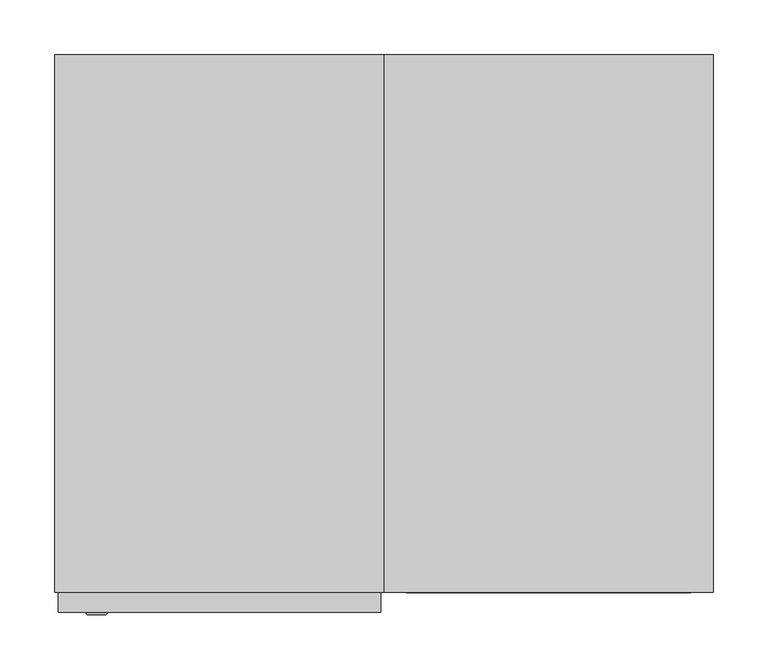
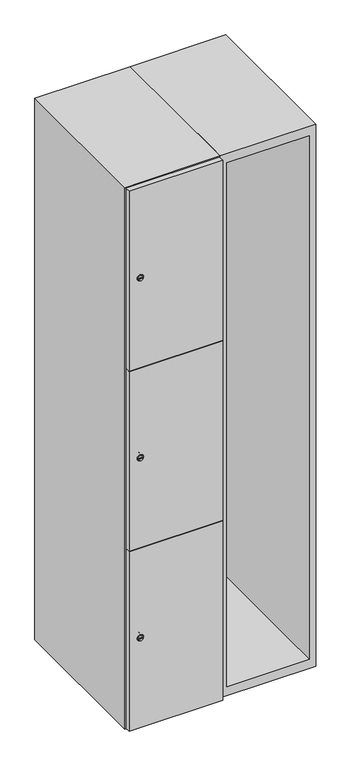
"""IFC4 building model written with IfcOpenShell, lengths in millimetres: furniture geometry."""

from ifc_helpers import new_model, si_unit, point, frame, frame_2d, origin, place, context, project, spatial, polyline, circle_curve, trimmed, segment, composite_curve, outline, extrude, faceted_brep, source, transform, mapped, element, save
from ifc_brep_helpers import plane_surface, revolved_surface, advanced_brep


def furniture_66384746(model_context):
    return source(origin(), model_context, "Body", "SolidModel", [
        faceted_brep([(400.0, -245.0, 35.0), (400.0, -245.0, 1835.0), (100.0, -245.0, 1835.0), (100.0, -245.0, 35.0), (379.6, -245.0, 1804.8), (379.6, -245.0, 65.2), (120.4, -245.0, 65.2), (120.4, -245.0, 1804.8), (400.0, 245.0, 35.0), (100.0, 245.0, 35.0), (400.0, 245.0, 1835.0), (100.0, 245.0, 1835.0), (379.6, 242.0, 1804.8), (379.6, 242.0, 65.2), (100.0, 245.0, 1804.8), (120.4, 242.0, 1804.8), (120.4, 242.0, 65.2)], [[[0, 1, 2, 3], [4, 5, 6, 7]], [[8, 0, 3, 9]], [[1, 0, 8, 10]], [[1, 10, 11, 2]], [[4, 12, 13, 5]], [[9, 3, 2, 11, 14]], [[10, 8, 9, 14, 11]], [[12, 15, 16, 13]], [[15, 7, 6, 16]], [[4, 7, 15, 12]], [[6, 5, 13, 16]]]),
        extrude(outline(composite_curve([segment(trimmed(circle_curve(frame_2d((337.0, -188.7989466)), 7.0), [point((344.0, -188.7989466))], [point((330.0, -188.7989466))], False, "CARTESIAN"), True, "CONTINUOUS"), segment(polyline([(330.0, -188.7989466), (330.0, -160.7989466)]), True, "CONTINUOUS"), segment(trimmed(circle_curve(frame_2d((337.0, -160.7989466)), 7.0), [point((330.0, -160.7989466))], [point((344.0, -160.7989466))], False, "CARTESIAN"), True, "CONTINUOUS"), segment(polyline([(344.0, -160.7989466), (344.0, -188.7989466)]), True, "CONTINUOUS")], self_intersect=False)), frame((0.0, -245.0, 0.0), z_axis=(0.0, 1.0, 0.0), x_axis=(0.0, 0.0, 1.0)), (0.0, 0.0, 1.0), 2.0),
        advanced_brep(
        [(-153.5, -265.2, 337.0), (-170.5, -265.2, 337.0), (-167.0, -265.2, 335.75), (-167.0, -265.2, 338.25), (-157.0, -265.2, 338.25), (-157.0, -265.2, 335.75), (-151.5, -263.0, 337.0), (-172.5, -263.0, 337.0), (-167.0, -263.0, 338.25), (-167.0, -263.0, 335.75), (-157.0, -263.0, 335.75), (-157.0, -263.0, 338.25)],
        [
            (0, 1, circle_curve(frame((-162.0, -265.2, 337.0), z_axis=(0.0, -1.0, 0.0), x_axis=(1.0, 0.0, 0.0)), 8.5)),
            (1, 0, circle_curve(frame((-162.0, -265.2, 337.0), z_axis=(0.0, -1.0, 0.0), x_axis=(-1.0, 0.0, 0.0)), 8.5)),
            (2, 3),
            (3, 4),
            (4, 5),
            (5, 2),
            (6, 7, circle_curve(frame((-162.0, -263.0, 337.0), z_axis=(0.0, 1.0, 0.0), x_axis=(-1.0, 0.0, 0.0)), 10.5)),
            (7, 6, circle_curve(frame((-162.0, -263.0, 337.0), z_axis=(0.0, 1.0, 0.0), x_axis=(1.0, 0.0, 0.0)), 10.5)),
            (8, 9),
            (9, 10),
            (10, 11),
            (11, 8),
            (0, 6),
            (7, 1),
            (8, 3),
            (2, 9),
            (11, 4),
            (10, 5),
        ],
        [
            plane_surface(frame((-162.0, -265.2, 337.0), z_axis=(0.0, -1.0, 0.0), x_axis=(0.0, 0.0, 1.0))),
            plane_surface(frame((-162.0, -263.0, 337.0), z_axis=(0.0, 1.0, 0.0), x_axis=(0.0, 0.0, 1.0))),
            revolved_surface(polyline([(-153.5, -265.2, 337.0), (-151.5, -263.0, 337.0)]), (-162.0, -274.55, 337.0), (0.0, 1.0, 0.0)),
            revolved_surface(polyline([(-170.5, -265.2, 337.0), (-172.5, -263.0, 337.0)]), (-162.0, -274.55, 337.0), (0.0, 1.0, 0.0)),
            plane_surface(frame((-167.0, -263.0, 335.75), z_axis=(1.0, 0.0, 0.0), x_axis=(0.0, -1.0, 0.0))),
            plane_surface(frame((-167.0, -263.0, 338.25), z_axis=(0.0, 0.0, -1.0), x_axis=(0.0, -1.0, 0.0))),
            plane_surface(frame((-157.0, -263.0, 338.25), z_axis=(-1.0, 0.0, 0.0), x_axis=(0.0, -1.0, 0.0))),
            plane_surface(frame((-157.0, -263.0, 335.75), z_axis=(0.0, 0.0, 1.0), x_axis=(0.0, -1.0, 0.0))),
        ],
        [
            (0, [[1, 2], [3, 4, 5, 6]]),
            (1, [[7, 8], [9, 10, 11, 12]]),
            (2, [[-1, 13, -8, 14]]),
            (3, [[-2, -14, -7, -13]]),
            (4, [[15, -3, 16, -9]]),
            (5, [[-15, -12, 17, -4]]),
            (6, [[-17, -11, 18, -5]]),
            (7, [[-16, -6, -18, -10]]),
        ],
    ),
        extrude(outline(composite_curve([segment(trimmed(circle_curve(frame_2d((935.0, -188.7989466)), 7.0), [point((942.0, -188.7989466))], [point((928.0, -188.7989466))], False, "CARTESIAN"), True, "CONTINUOUS"), segment(polyline([(928.0, -188.7989466), (928.0, -160.7989466)]), True, "CONTINUOUS"), segment(trimmed(circle_curve(frame_2d((935.0, -160.7989466)), 7.0), [point((928.0, -160.7989466))], [point((942.0, -160.7989466))], False, "CARTESIAN"), True, "CONTINUOUS"), segment(polyline([(942.0, -160.7989466), (942.0, -188.7989466)]), True, "CONTINUOUS")], self_intersect=False)), frame((0.0, -245.0, 0.0), z_axis=(0.0, 1.0, 0.0), x_axis=(0.0, 0.0, 1.0)), (0.0, 0.0, 1.0), 2.0),
        advanced_brep(
        [(-153.5, -265.2, 935.0), (-170.5, -265.2, 935.0), (-167.0, -265.2, 933.75), (-167.0, -265.2, 936.25), (-157.0, -265.2, 936.25), (-157.0, -265.2, 933.75), (-151.5, -263.0, 935.0), (-172.5, -263.0, 935.0), (-167.0, -263.0, 936.25), (-167.0, -263.0, 933.75), (-157.0, -263.0, 933.75), (-157.0, -263.0, 936.25)],
        [
            (0, 1, circle_curve(frame((-162.0, -265.2, 935.0), z_axis=(0.0, -1.0, 0.0), x_axis=(1.0, 0.0, 0.0)), 8.5)),
            (1, 0, circle_curve(frame((-162.0, -265.2, 935.0), z_axis=(0.0, -1.0, 0.0), x_axis=(-1.0, 0.0, 0.0)), 8.5)),
            (2, 3),
            (3, 4),
            (4, 5),
            (5, 2),
            (6, 7, circle_curve(frame((-162.0, -263.0, 935.0), z_axis=(0.0, 1.0, 0.0), x_axis=(-1.0, 0.0, 0.0)), 10.5)),
            (7, 6, circle_curve(frame((-162.0, -263.0, 935.0), z_axis=(0.0, 1.0, 0.0), x_axis=(1.0, 0.0, 0.0)), 10.5)),
            (8, 9),
            (9, 10),
            (10, 11),
            (11, 8),
            (0, 6),
            (7, 1),
            (8, 3),
            (2, 9),
            (11, 4),
            (10, 5),
        ],
        [
            plane_surface(frame((-162.0, -265.2, 935.0), z_axis=(0.0, -1.0, 0.0), x_axis=(0.0, 0.0, 1.0))),
            plane_surface(frame((-162.0, -263.0, 935.0), z_axis=(0.0, 1.0, 0.0), x_axis=(0.0, 0.0, 1.0))),
            revolved_surface(polyline([(-153.5, -265.2, 935.0), (-151.5, -263.0, 935.0)]), (-162.0, -274.55, 935.0), (0.0, 1.0, 0.0)),
            revolved_surface(polyline([(-170.5, -265.2, 935.0), (-172.5, -263.0, 935.0)]), (-162.0, -274.55, 935.0), (0.0, 1.0, 0.0)),
            plane_surface(frame((-167.0, -263.0, 933.75), z_axis=(1.0, 0.0, 0.0), x_axis=(0.0, -1.0, 0.0))),
            plane_surface(frame((-167.0, -263.0, 936.25), z_axis=(0.0, 0.0, -1.0), x_axis=(0.0, -1.0, 0.0))),
            plane_surface(frame((-157.0, -263.0, 936.25), z_axis=(-1.0, 0.0, 0.0), x_axis=(0.0, -1.0, 0.0))),
            plane_surface(frame((-157.0, -263.0, 933.75), z_axis=(0.0, 0.0, 1.0), x_axis=(0.0, -1.0, 0.0))),
        ],
        [
            (0, [[1, 2], [3, 4, 5, 6]]),
            (1, [[7, 8], [9, 10, 11, 12]]),
            (2, [[-1, 13, -8, 14]]),
            (3, [[-2, -14, -7, -13]]),
            (4, [[15, -3, 16, -9]]),
            (5, [[-15, -12, 17, -4]]),
            (6, [[-17, -11, 18, -5]]),
            (7, [[-16, -6, -18, -10]]),
        ],
    ),
        extrude(outline(composite_curve([segment(trimmed(circle_curve(frame_2d((1533.0, -188.7989466)), 7.0), [point((1540.0, -188.7989466))], [point((1526.0, -188.7989466))], False, "CARTESIAN"), True, "CONTINUOUS"), segment(polyline([(1526.0, -188.7989466), (1526.0, -160.7989466)]), True, "CONTINUOUS"), segment(trimmed(circle_curve(frame_2d((1533.0, -160.7989466)), 7.0), [point((1526.0, -160.7989466))], [point((1540.0, -160.7989466))], False, "CARTESIAN"), True, "CONTINUOUS"), segment(polyline([(1540.0, -160.7989466), (1540.0, -188.7989466)]), True, "CONTINUOUS")], self_intersect=False)), frame((0.0, -245.0, 0.0), z_axis=(0.0, 1.0, 0.0), x_axis=(0.0, 0.0, 1.0)), (0.0, 0.0, 1.0), 2.0),
        advanced_brep(
        [(-153.5, -265.2, 1533.0), (-170.5, -265.2, 1533.0), (-167.0, -265.2, 1531.75), (-167.0, -265.2, 1534.25), (-157.0, -265.2, 1534.25), (-157.0, -265.2, 1531.75), (-151.5, -263.0, 1533.0), (-172.5, -263.0, 1533.0), (-167.0, -263.0, 1534.25), (-167.0, -263.0, 1531.75), (-157.0, -263.0, 1531.75), (-157.0, -263.0, 1534.25)],
        [
            (0, 1, circle_curve(frame((-162.0, -265.2, 1533.0), z_axis=(0.0, -1.0, 0.0), x_axis=(1.0, 0.0, 0.0)), 8.5)),
            (1, 0, circle_curve(frame((-162.0, -265.2, 1533.0), z_axis=(0.0, -1.0, 0.0), x_axis=(-1.0, 0.0, 0.0)), 8.5)),
            (2, 3),
            (3, 4),
            (4, 5),
            (5, 2),
            (6, 7, circle_curve(frame((-162.0, -263.0, 1533.0), z_axis=(0.0, 1.0, 0.0), x_axis=(-1.0, 0.0, 0.0)), 10.5)),
            (7, 6, circle_curve(frame((-162.0, -263.0, 1533.0), z_axis=(0.0, 1.0, 0.0), x_axis=(1.0, 0.0, 0.0)), 10.5)),
            (8, 9),
            (9, 10),
            (10, 11),
            (11, 8),
            (0, 6),
            (7, 1),
            (8, 3),
            (2, 9),
            (11, 4),
            (10, 5),
        ],
        [
            plane_surface(frame((-162.0, -265.2, 1533.0), z_axis=(0.0, -1.0, 0.0), x_axis=(0.0, 0.0, 1.0))),
            plane_surface(frame((-162.0, -263.0, 1533.0), z_axis=(0.0, 1.0, 0.0), x_axis=(0.0, 0.0, 1.0))),
            revolved_surface(polyline([(-153.5, -265.2, 1533.0), (-151.5, -263.0, 1533.0)]), (-162.0, -274.55, 1533.0), (0.0, 1.0, 0.0)),
            revolved_surface(polyline([(-170.5, -265.2, 1533.0), (-172.5, -263.0, 1533.0)]), (-162.0, -274.55, 1533.0), (0.0, 1.0, 0.0)),
            plane_surface(frame((-167.0, -263.0, 1531.75), z_axis=(1.0, 0.0, 0.0), x_axis=(0.0, -1.0, 0.0))),
            plane_surface(frame((-167.0, -263.0, 1534.25), z_axis=(0.0, 0.0, -1.0), x_axis=(0.0, -1.0, 0.0))),
            plane_surface(frame((-157.0, -263.0, 1534.25), z_axis=(-1.0, 0.0, 0.0), x_axis=(0.0, -1.0, 0.0))),
            plane_surface(frame((-157.0, -263.0, 1531.75), z_axis=(0.0, 0.0, 1.0), x_axis=(0.0, -1.0, 0.0))),
        ],
        [
            (0, [[1, 2], [3, 4, 5, 6]]),
            (1, [[7, 8], [9, 10, 11, 12]]),
            (2, [[-1, 13, -8, 14]]),
            (3, [[-2, -14, -7, -13]]),
            (4, [[15, -3, 16, -9]]),
            (5, [[-15, -12, 17, -4]]),
            (6, [[-17, -11, 18, -5]]),
            (7, [[-16, -6, -18, -10]]),
        ],
    ),
        extrude(outline(polyline([(97.0, -245.0), (97.0, -263.0), (-197.0, -263.0), (-197.0, -245.0), (97.0, -245.0)])), frame((0.0, 0.0, 636.5), z_axis=(0.0, 0.0, 1.0), x_axis=(1.0, 0.0, 0.0)), (0.0, 0.0, 1.0), 597.0),
        extrude(outline(polyline([(-197.0, -263.0), (-197.0, -245.0), (97.0, -245.0), (97.0, -263.0), (-197.0, -263.0)])), frame((0.0, 0.0, 1234.5), z_axis=(0.0, 0.0, 1.0), x_axis=(1.0, 0.0, 0.0)), (0.0, 0.0, 1.0), 597.5),
        extrude(outline(polyline([(97.0, -245.0), (97.0, -263.0), (-197.0, -263.0), (-197.0, -245.0), (97.0, -245.0)])), frame((0.0, 0.0, 38.0), z_axis=(0.0, 0.0, 1.0), x_axis=(1.0, 0.0, 0.0)), (0.0, 0.0, 1.0), 597.5),
        extrude(outline(polyline([(79.6, 242.0), (79.6, -227.0), (-179.6, -227.0), (-179.6, 242.0), (79.6, 242.0)])), frame((0.0, 0.0, 1214.7333333), z_axis=(0.0, 0.0, 1.0), x_axis=(1.0, 0.0, 0.0)), (0.0, 0.0, 1.0), 20.4),
        extrude(outline(polyline([(-179.6, 242.0), (79.6, 242.0), (79.6, -227.0), (-179.6, -227.0), (-179.6, 242.0)])), frame((0.0, 0.0, 634.8666667), z_axis=(0.0, 0.0, 1.0), x_axis=(1.0, 0.0, 0.0)), (0.0, 0.0, 1.0), 20.4),
        faceted_brep([(100.0, -245.0, 35.0), (100.0, -245.0, 1835.0), (-200.0, -245.0, 1835.0), (-200.0, -245.0, 35.0), (79.6, -245.0, 1804.8), (79.6, -245.0, 65.2), (-179.6, -245.0, 65.2), (-179.6, -245.0, 1804.8), (100.0, 245.0, 35.0), (-200.0, 245.0, 35.0), (100.0, 245.0, 1835.0), (-200.0, 245.0, 1835.0), (79.6, 242.0, 1804.8), (79.6, 242.0, 65.2), (-200.0, 245.0, 1804.8), (-179.6, 242.0, 1804.8), (-179.6, 242.0, 65.2)], [[[0, 1, 2, 3], [4, 5, 6, 7]], [[8, 0, 3, 9]], [[1, 0, 8, 10]], [[1, 10, 11, 2]], [[4, 12, 13, 5]], [[9, 3, 2, 11, 14]], [[10, 8, 9, 14, 11]], [[12, 15, 16, 13]], [[15, 7, 6, 16]], [[4, 7, 15, 12]], [[6, 5, 13, 16]]]),
    ])


if __name__ == "__main__":
    model = new_model("IFC4")
    model_context = context("Model", 3, world=origin())
    ifc_project = project(units=[si_unit("LENGTHUNIT", "METRE", prefix="MILLI")], contexts=[model_context])
    site = spatial("IfcSite", under=ifc_project)
    building = spatial("IfcBuilding", under=site)
    placement = place(None, origin())
    furniture_shape = furniture_66384746(model_context)
    element("IfcFurniture", 1, at=placement, inside=building, context=model_context, shape_type="MappedRepresentation", body=[
        mapped(furniture_shape, transform((0.0, 0.0, 0.0), x_axis=(1.0, 0.0, 0.0), y_axis=(0.0, 1.0, 0.0), z_axis=(0.0, 0.0, 1.0))),
    ])
    save(model, "model.ifc")
